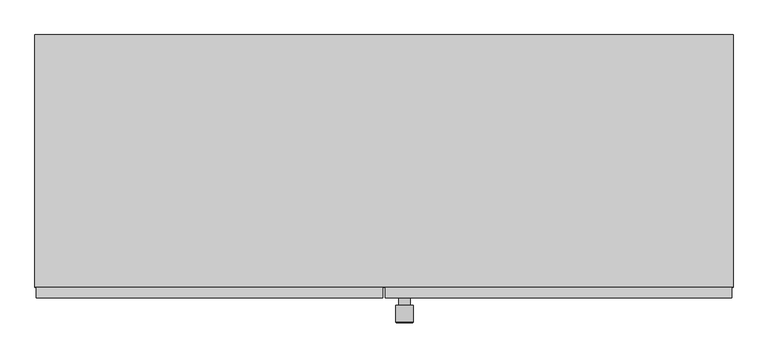
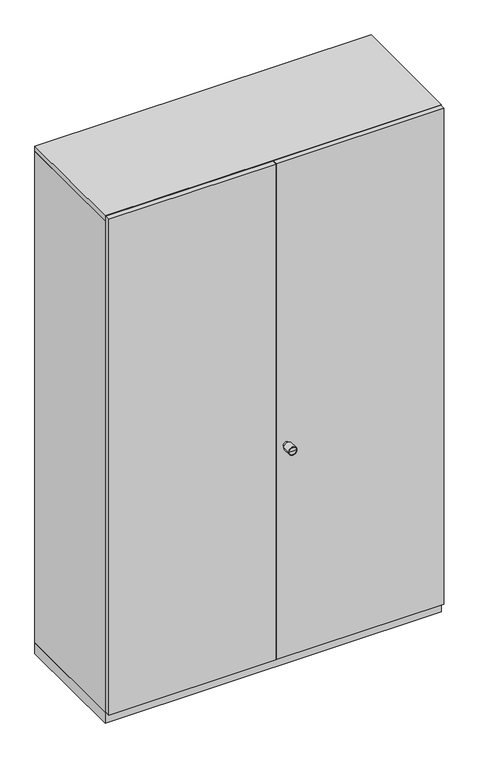
"""IFC4 building model written with IfcOpenShell, lengths in millimetres: furniture geometry."""

from ifc_helpers import new_model, si_unit, point, frame, origin, origin_with_axes, place, context, project, spatial, polyline, circle_curve, ellipse_curve, trimmed, outline, extrude, source, transform, mapped, element, save
from ifc_brep_helpers import plane_surface, cylinder_surface, revolved_surface, advanced_brep


def furniture_4b322b82(model_context):
    return source(origin(), model_context, "Body", "SolidModel", [
        advanced_brep(
        [(-255.0, -248.0, 842.0), (-275.0, -248.0, 842.0), (-275.0, -236.0, 842.0), (-255.0, -236.0, 842.0), (-250.0, -248.0, 842.0), (-280.0, -248.0, 842.0), (-250.0, -277.0, 842.0), (-280.0, -277.0, 842.0), (-251.0, -278.0, 842.0), (-279.0, -278.0, 842.0), (-265.0, -278.0, 842.0), (-265.0, -236.0, 842.0)],
        [
            (0, 1, circle_curve(frame((-265.0, -248.0, 842.0), z_axis=(0.0, 1.0, 0.0), x_axis=(-1.0, 0.0, 0.0)), 10.0)),
            (1, 2),
            (2, 3, circle_curve(frame((-265.0, -236.0, 842.0), z_axis=(0.0, -1.0, 0.0), x_axis=(-1.0, 0.0, 0.0)), 10.0)),
            (3, 0),
            (1, 0, circle_curve(frame((-265.0, -248.0, 842.0), z_axis=(0.0, 1.0, 0.0), x_axis=(-1.0, 0.0, 0.0)), 10.0)),
            (3, 2, circle_curve(frame((-265.0, -236.0, 842.0), z_axis=(0.0, -1.0, 0.0), x_axis=(-1.0, 0.0, 0.0)), 10.0)),
            (4, 5, circle_curve(frame((-265.0, -248.0, 842.0), z_axis=(0.0, 1.0, 0.0), x_axis=(-1.0, 0.0, 0.0)), 15.0)),
            (5, 1),
            (0, 4),
            (5, 4, circle_curve(frame((-265.0, -248.0, 842.0), z_axis=(0.0, 1.0, 0.0), x_axis=(-1.0, 0.0, 0.0)), 15.0)),
            (6, 7, circle_curve(frame((-265.0, -277.0, 842.0), z_axis=(0.0, 1.0, 0.0), x_axis=(-1.0, 0.0, 0.0)), 15.0)),
            (7, 5),
            (4, 6),
            (7, 6, circle_curve(frame((-265.0, -277.0, 842.0), z_axis=(0.0, 1.0, 0.0), x_axis=(-1.0, 0.0, 0.0)), 15.0)),
            (8, 9, circle_curve(frame((-265.0, -278.0, 842.0), z_axis=(0.0, 1.0, 0.0), x_axis=(-1.0, 0.0, 0.0)), 14.0)),
            (9, 7, circle_curve(frame((-279.0, -277.0, 842.0), z_axis=(0.0, 0.0, -1.0), x_axis=(-1.0, 0.0, 0.0)), 1.0)),
            (6, 8, circle_curve(frame((-251.0, -277.0, 842.0), z_axis=(0.0, 0.0, -1.0), x_axis=(1.0, 0.0, 0.0)), 1.0)),
            (9, 8, circle_curve(frame((-265.0, -278.0, 842.0), z_axis=(0.0, 1.0, 0.0), x_axis=(-1.0, 0.0, 0.0)), 14.0)),
            (10, 9),
            (8, 10),
            (2, 11),
            (11, 3),
        ],
        [
            cylinder_surface(frame((-265.0, -278.0, 842.0), z_axis=(0.0, -1.0, 0.0), x_axis=(-1.0, 0.0, 0.0)), 10.0),
            plane_surface(frame((-265.0, -248.0, 842.0), z_axis=(0.0, 1.0, 0.0), x_axis=(-1.0, 0.0, 0.0))),
            cylinder_surface(frame((-265.0, -278.0, 842.0), z_axis=(0.0, -1.0, 0.0), x_axis=(-1.0, 0.0, 0.0)), 15.0),
            revolved_surface(trimmed(ellipse_curve(frame((-279.0, -277.0, 842.0), z_axis=(0.0, 0.0, 1.0), x_axis=(-1.0, 0.0, 0.0)), 1.0, 1.0), [point((-280.0, -277.0, 842.0))], [point((-279.0, -278.0, 842.0))], True, "CARTESIAN"), (-265.0, -278.0, 842.0), (0.0, -1.0, 0.0)),
            plane_surface(frame((-265.0, -278.0, 842.0), z_axis=(0.0, -1.0, 0.0), x_axis=(-1.0, 0.0, 0.0))),
            plane_surface(frame((-265.0, -236.0, 842.0), z_axis=(0.0, 1.0, 0.0), x_axis=(-1.0, 0.0, 0.0))),
        ],
        [
            (0, [[1, 2, 3, 4]]),
            (0, [[5, -4, 6, -2]]),
            (1, [[7, 8, -1, 9]]),
            (1, [[10, -9, -5, -8]]),
            (2, [[11, 12, -7, 13]]),
            (2, [[14, -13, -10, -12]]),
            (3, [[15, 16, -11, 17]]),
            (3, [[18, -17, -14, -16]]),
            (4, [[19, -15, 20]]),
            (4, [[-20, -18, -19]]),
            (5, [[-3, 21, 22]]),
            (5, [[-6, -22, -21]]),
        ],
    ),
        extrude(outline(polyline([(-302.0, -236.0), (-898.0, -236.0), (-898.0, -217.0), (-302.0, -217.0), (-302.0, -236.0)])), frame((0.0, 0.0, 42.0), z_axis=(0.0, 0.0, 1.0), x_axis=(1.0, 0.0, 0.0)), (0.0, 0.0, 1.0), 1871.0),
        extrude(outline(polyline([(298.0, -236.0), (-298.0, -236.0), (-298.0, -217.0), (298.0, -217.0), (298.0, -236.0)])), frame((0.0, 0.0, 42.0), z_axis=(0.0, 0.0, 1.0), x_axis=(1.0, 0.0, 0.0)), (0.0, 0.0, 1.0), 1871.0),
        extrude(outline(polyline([(-900.0, -217.0), (-900.0, 217.0), (300.0, 217.0), (300.0, -217.0), (-900.0, -217.0)])), origin_with_axes(), (0.0, 0.0, 1.0), 40.0),
        extrude(outline(polyline([(281.0, 207.0), (-881.0, 207.0), (-881.0, 215.0), (281.0, 215.0), (281.0, 207.0)])), frame((0.0, 0.0, 59.0), z_axis=(0.0, 0.0, 1.0), x_axis=(1.0, 0.0, 0.0)), (0.0, 0.0, 1.0), 1837.0),
        extrude(outline(polyline([(-900.0, -217.0), (-900.0, 217.0), (300.0, 217.0), (300.0, -217.0), (-900.0, -217.0)])), frame((0.0, 0.0, 1896.0), z_axis=(0.0, 0.0, 1.0), x_axis=(1.0, 0.0, 0.0)), (0.0, 0.0, 1.0), 19.0),
        extrude(outline(polyline([(300.0, 217.0), (300.0, -217.0), (281.0, -217.0), (281.0, 217.0), (300.0, 217.0)])), frame((0.0, 0.0, 40.0), z_axis=(0.0, 0.0, 1.0), x_axis=(1.0, 0.0, 0.0)), (0.0, 0.0, 1.0), 1856.0),
        extrude(outline(polyline([(-881.0, 217.0), (-881.0, -217.0), (-900.0, -217.0), (-900.0, 217.0), (-881.0, 217.0)])), frame((0.0, 0.0, 40.0), z_axis=(0.0, 0.0, 1.0), x_axis=(1.0, 0.0, 0.0)), (0.0, 0.0, 1.0), 1856.0),
        extrude(outline(polyline([(281.0, 217.0), (281.0, -217.0), (-881.0, -217.0), (-881.0, 217.0), (281.0, 217.0)])), frame((0.0, 0.0, 40.0), z_axis=(0.0, 0.0, 1.0), x_axis=(1.0, 0.0, 0.0)), (0.0, 0.0, 1.0), 19.0),
    ])


if __name__ == "__main__":
    model = new_model("IFC4")
    model_context = context("Model", 3, world=origin())
    ifc_project = project(units=[si_unit("LENGTHUNIT", "METRE", prefix="MILLI")], contexts=[model_context])
    site = spatial("IfcSite", under=ifc_project)
    building = spatial("IfcBuilding", under=site)
    placement = place(None, origin())
    furniture_shape = furniture_4b322b82(model_context)
    element("IfcFurniture", 1, at=placement, inside=building, context=model_context, shape_type="MappedRepresentation", body=[
        mapped(furniture_shape, transform((0.0, 0.0, 0.0), x_axis=(1.0, 0.0, 0.0), y_axis=(0.0, 1.0, 0.0), z_axis=(0.0, 0.0, 1.0))),
    ])
    save(model, "model.ifc")
